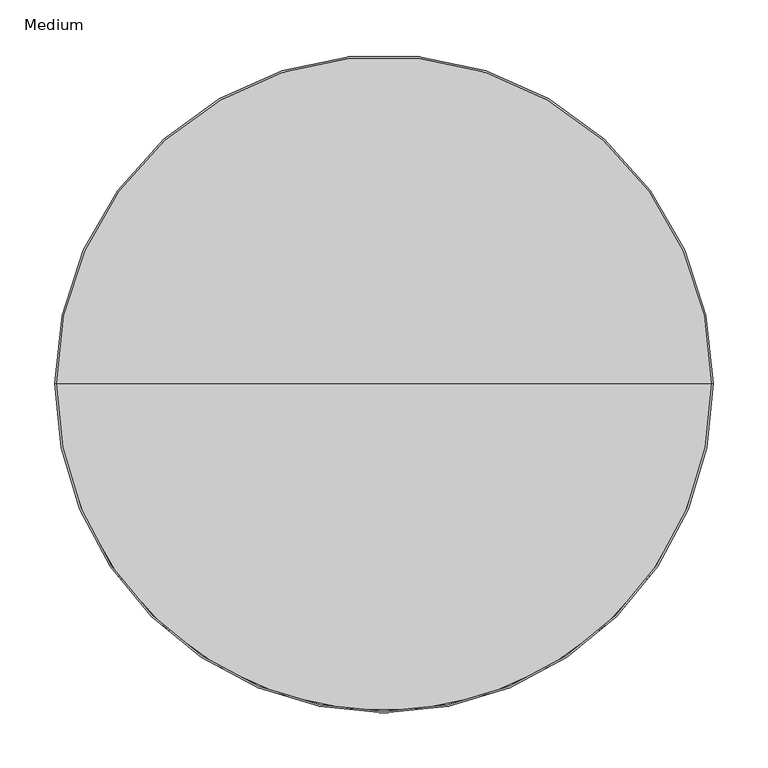
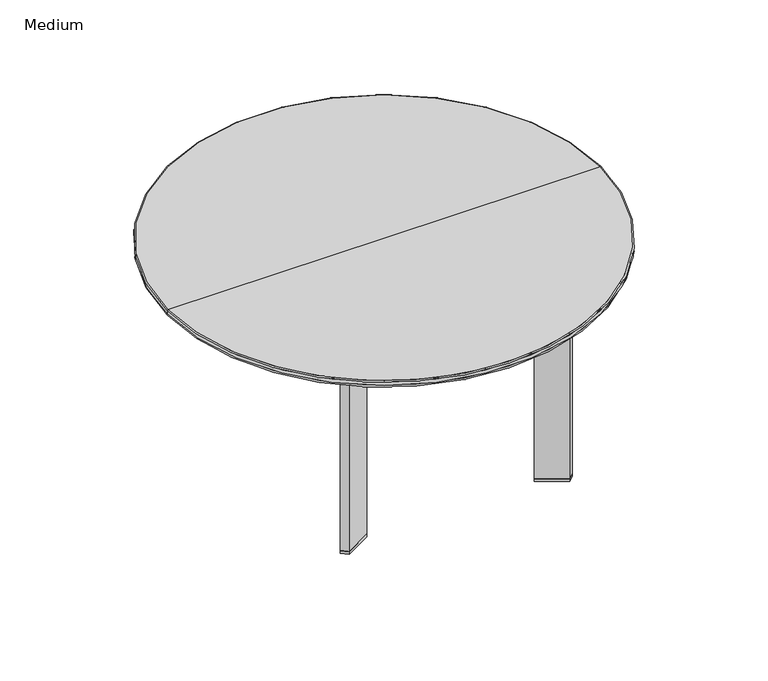
"""IFC4 building model written with IfcOpenShell, lengths in millimetres: furniture geometry, Medium."""

import ifcopenshell
import ifcopenshell.guid

model = None  # the IFC model being written
_history = None  # IfcOwnerHistory: only IFC2X3 demands one
_inside = {}  # id of a spatial element -> (the spatial element, [elements in it])
_under = {}  # id of a project, library or spatial element -> (it, [spatial elements below it])
_declared = {}  # id of a project -> (the project, [libraries it declares])
_typed = {}  # id of a type object -> (the type object, [elements of that type])
_made_of = {}  # id of a material, layer set ... -> (it, [elements and type objects made of it])


def new_model(schema):
    """Start an empty IFC model of exactly this schema.

    Asked for "IFC4X3", IfcOpenShell would pick the latest addendum, in which some entities
    have other attributes; the version numbers below select the first issue.
    IFC2X3 requires an IfcOwnerHistory on every rooted entity: one is made here for all.
    """
    global model, _history
    if schema == "IFC4X3":
        model = ifcopenshell.file(schema_version=(4, 3, 0, 0))
    else:
        model = ifcopenshell.file(schema=schema)
    _inside.clear()
    _under.clear()
    _declared.clear()
    _typed.clear()
    _made_of.clear()
    _history = None
    if model.schema == "IFC2X3":
        org = make("IfcOrganization", Name="unknown")
        user = make(
            "IfcPersonAndOrganization",
            ThePerson=make("IfcPerson", FamilyName="unknown"),
            TheOrganization=org,
        )
        app = make(
            "IfcApplication",
            ApplicationDeveloper=org,
            Version="unknown",
            ApplicationFullName="unknown",
            ApplicationIdentifier="unknown",
        )
        _history = make(
            "IfcOwnerHistory",
            OwningUser=user,
            OwningApplication=app,
            ChangeAction="ADDED",
            CreationDate=0,
        )
    return model


def make(cls, **values):
    """One entity of the class cls with the attributes given. An attribute that is None is left unset."""
    return model.create_entity(
        cls, **{name: value for name, value in values.items() if value is not None}
    )


def rooted(cls, **values):
    """An entity with a GlobalId (a new one), such as an element, a storey or a relation."""
    return make(cls, GlobalId=ifcopenshell.guid.new(), OwnerHistory=_history, **values)


def si_unit(unit_type, name, prefix=None):
    """IfcSIUnit, for example si_unit("LENGTHUNIT", "METRE", prefix="MILLI")."""
    return make("IfcSIUnit", UnitType=unit_type, Prefix=prefix, Name=name)


def assignment(units):
    """IfcUnitAssignment: the units of a project."""
    return None if units is None else make("IfcUnitAssignment", Units=units)


def point(xyz):
    """IfcCartesianPoint."""
    return None if xyz is None else make("IfcCartesianPoint", Coordinates=xyz)


def direction(xyz):
    """IfcDirection."""
    return None if xyz is None else make("IfcDirection", DirectionRatios=xyz)


def frame(location, z_axis=None, x_axis=None):
    """IfcAxis2Placement3D, a coordinate frame: its origin and axes. An axis left out is left unset."""
    return make(
        "IfcAxis2Placement3D",
        Location=point(location),
        Axis=direction(z_axis),
        RefDirection=direction(x_axis),
    )


def frame_2d(location, x_axis=None):
    """IfcAxis2Placement2D, a coordinate frame in the plane: its origin and x axis."""
    return make(
        "IfcAxis2Placement2D", Location=point(location), RefDirection=direction(x_axis)
    )


def origin():
    """The frame at (0, 0, 0) with its axes left unset."""
    return frame((0.0, 0.0, 0.0))


def origin_with_axes():
    """The frame at (0, 0, 0) with the z axis (0, 0, 1) and the x axis (1, 0, 0) written out."""
    return frame((0.0, 0.0, 0.0), z_axis=(0.0, 0.0, 1.0), x_axis=(1.0, 0.0, 0.0))


def origin_2d():
    """The frame at (0, 0) in the plane with its x axis left unset."""
    return frame_2d((0.0, 0.0))


def place(relative_to, where):
    """IfcLocalPlacement: puts the frame where relative to a parent placement (None: the world)."""
    return make(
        "IfcLocalPlacement", PlacementRelTo=relative_to, RelativePlacement=where
    )


def context(
    kind, dimensions, precision=None, world=None, true_north=None, identifier=None
):
    """IfcGeometricRepresentationContext, for example the 3D "Model" context."""
    return make(
        "IfcGeometricRepresentationContext",
        ContextIdentifier=identifier,
        ContextType=kind,
        CoordinateSpaceDimension=dimensions,
        Precision=precision,
        WorldCoordinateSystem=world,
        TrueNorth=true_north,
    )


def project(units=None, contexts=None):
    """IfcProject with its units and contexts."""
    return rooted(
        "IfcProject",
        Name="project",
        RepresentationContexts=contexts,
        UnitsInContext=assignment(units),
    )


def spatial(cls, under=None, at=None, **own):
    """A site, building, storey or space (cls), placed at a placement, below another one or the project."""
    s = rooted(cls, ObjectPlacement=at, **own)
    if under is not None:
        _under.setdefault(under.id(), (under, []))[1].append(s)
    return s


def polyline(points):
    """IfcPolyline through the points."""
    return make("IfcPolyline", Points=[point(p) for p in points])


def circle_curve(where, radius):
    """IfcCircle in the frame where."""
    return make("IfcCircle", Position=where, Radius=radius)


def ellipse_curve(where, semi_axis1, semi_axis2):
    """IfcEllipse in the frame where."""
    return make(
        "IfcEllipse", Position=where, SemiAxis1=semi_axis1, SemiAxis2=semi_axis2
    )


def trimmed(basis, trim1, trim2, sense, master):
    """IfcTrimmedCurve: the piece of a basis curve between two trims."""
    return make(
        "IfcTrimmedCurve",
        BasisCurve=basis,
        Trim1=trim1,
        Trim2=trim2,
        SenseAgreement=sense,
        MasterRepresentation=master,
    )


def segment(curve, same_sense, transition):
    """IfcCompositeCurveSegment."""
    return make(
        "IfcCompositeCurveSegment",
        Transition=transition,
        SameSense=same_sense,
        ParentCurve=curve,
    )


def composite_curve(segments, self_intersect=None):
    """IfcCompositeCurve: segments joined end to end."""
    return make("IfcCompositeCurve", Segments=segments, SelfIntersect=self_intersect)


def outline(outer, holes=None, kind="AREA"):
    """IfcArbitraryClosedProfileDef: a profile drawn as a closed curve; with holes, ...WithVoids."""
    if holes is None:
        return make("IfcArbitraryClosedProfileDef", ProfileType=kind, OuterCurve=outer)
    return make(
        "IfcArbitraryProfileDefWithVoids",
        ProfileType=kind,
        OuterCurve=outer,
        InnerCurves=holes,
    )


def extrude(swept, where, along, depth):
    """IfcExtrudedAreaSolid: the profile swept, set in the frame where, extruded along a direction by depth."""
    return make(
        "IfcExtrudedAreaSolid",
        SweptArea=swept,
        Position=where,
        ExtrudedDirection=direction(along),
        Depth=depth,
    )


def shape(context_of_items, identifier, shape_type, items):
    """IfcShapeRepresentation: the items that make up one representation, for example the "Body"."""
    return make(
        "IfcShapeRepresentation",
        ContextOfItems=context_of_items,
        RepresentationIdentifier=identifier,
        RepresentationType=shape_type,
        Items=items,
    )


def source(mapping_origin, context_of_items, identifier, shape_type, items):
    """IfcRepresentationMap: a shape defined once, which mapped items show again and again."""
    return make(
        "IfcRepresentationMap",
        MappingOrigin=mapping_origin,
        MappedRepresentation=shape(context_of_items, identifier, shape_type, items),
    )


def transform(
    local_origin,
    x_axis=None,
    y_axis=None,
    z_axis=None,
    scale=None,
    scale2=None,
    scale3=None,
    uniform=True,
):
    """IfcCartesianTransformationOperator3D, or its non-uniform kind. x_axis, y_axis, z_axis: its Axis1, 2, 3."""
    if uniform:
        return make(
            "IfcCartesianTransformationOperator3D",
            Axis1=direction(x_axis),
            Axis2=direction(y_axis),
            LocalOrigin=point(local_origin),
            Scale=scale,
            Axis3=direction(z_axis),
        )
    return make(
        "IfcCartesianTransformationOperator3DnonUniform",
        Axis1=direction(x_axis),
        Axis2=direction(y_axis),
        LocalOrigin=point(local_origin),
        Scale=scale,
        Axis3=direction(z_axis),
        Scale2=scale2,
        Scale3=scale3,
    )


def mapped(mapping_source, mapping_target):
    """IfcMappedItem: shows the shape of a source again, moved by a transform."""
    return make(
        "IfcMappedItem", MappingSource=mapping_source, MappingTarget=mapping_target
    )


def made_of(thing, what):
    """Note that an element or type object is made of a material, layer set ...; save() writes the relation."""
    if what is not None:
        _made_of.setdefault(what.id(), (what, []))[1].append(thing)
    return thing


def element(
    cls,
    number,
    at=None,
    inside=None,
    cuts=None,
    type_object=None,
    material=None,
    context=None,
    identifier="Body",
    shape_type=None,
    held_by="IfcProductDefinitionShape",
    body=None,
    shapes=None,
    **own,
):
    """One element of the class cls, such as IfcWall. Its Tag is "e" and its number.

    at: its placement. inside: the storey or other place that contains it. cuts: it is an
    opening in that element (IfcRelVoidsElement). A single representation is given by context,
    identifier, shape_type and body (its items); several are given by shapes. held_by: the class
    of the entity that holds the representations. save() writes the other relations.
    """
    e = rooted(cls, Tag="e%d" % number, ObjectPlacement=at, **own)
    if body is not None:
        shapes = [shape(context, identifier, shape_type, body)]
    if shapes is not None:
        e.Representation = make(held_by, Representations=shapes)
    if inside is not None:
        _inside.setdefault(inside.id(), (inside, []))[1].append(e)
    if cuts is not None:
        rooted(
            "IfcRelVoidsElement", RelatingBuildingElement=cuts, RelatedOpeningElement=e
        )
    if type_object is not None:
        _typed.setdefault(type_object.id(), (type_object, []))[1].append(e)
    return made_of(e, material)


def aggregate(whole, parts):
    """IfcRelAggregates: a whole, such as a stair, and the parts it consists of."""
    return rooted("IfcRelAggregates", RelatingObject=whole, RelatedObjects=parts)


def save(model, path):
    """Write the relations noted so far, then the file.

    IfcRelAggregates (storeys below a building ...), IfcRelContainedInSpatialStructure (elements
    in a storey), IfcRelDefinesByType, IfcRelAssociatesMaterial and IfcRelDeclares: one each for
    every whole, place, type object, material and project.
    """
    for whole, parts in _under.values():
        aggregate(whole, parts)
    for where, things in _inside.values():
        rooted(
            "IfcRelContainedInSpatialStructure",
            RelatedElements=things,
            RelatingStructure=where,
        )
    for kind, things in _typed.values():
        rooted("IfcRelDefinesByType", RelatedObjects=things, RelatingType=kind)
    for what, things in _made_of.values():
        rooted("IfcRelAssociatesMaterial", RelatedObjects=things, RelatingMaterial=what)
    for by, libraries in _declared.values():
        rooted("IfcRelDeclares", RelatingContext=by, RelatedDefinitions=libraries)
    model.write(path)


def plane_surface(at):
    """IfcPlane: the flat surface through the origin of the frame at, square to its z axis."""
    return make("IfcPlane", Position=at)


def cylinder_surface(at, radius):
    """IfcCylindricalSurface: all points at the distance radius from the z axis of the frame at."""
    return make("IfcCylindricalSurface", Position=at, Radius=radius)


def revolved_surface(curve, axis_point, axis_direction):
    """IfcSurfaceOfRevolution: the curve turned about the line through axis_point along axis_direction."""
    return make(
        "IfcSurfaceOfRevolution",
        SweptCurve=make("IfcArbitraryOpenProfileDef", ProfileType="CURVE", Curve=curve),
        AxisPosition=make("IfcAxis1Placement", Location=point(axis_point), Axis=direction(axis_direction)),
    )


def advanced_brep(points, edges, surfaces, faces):
    """IfcAdvancedBrep: a solid bounded by faces that lie on surfaces and meet in shared edges.

    An edge is (start, end): straight between two places in points (the first is 0);
    or (start, end, curve); or (start, end, curve, False) where it runs against its curve.
    A face is (place in surfaces, loops), or (place, loops, False) where it looks against
    its surface's normal. A loop lists edges by number (the first is 1), with a minus sign
    where the edge is run from its end to its start. The first loop is the outer one.
    """
    corners = [point(p) for p in points]
    vertices = [make("IfcVertexPoint", VertexGeometry=c) for c in corners]
    made = []
    for start, end, *more in edges:
        made.append(
            make(
                "IfcEdgeCurve",
                EdgeStart=vertices[start],
                EdgeEnd=vertices[end],
                EdgeGeometry=more[0] if more else make("IfcPolyline", Points=[corners[start], corners[end]]),
                SameSense=more[1] if len(more) > 1 else True,
            )
        )
    hull = []
    for where, loops, *sense in faces:
        bounds = []
        for j, loop in enumerate(loops):
            ring = [make("IfcOrientedEdge", EdgeElement=made[abs(k) - 1], Orientation=k > 0) for k in loop]
            bounds.append(
                make(
                    "IfcFaceOuterBound" if j == 0 else "IfcFaceBound",
                    Bound=make("IfcEdgeLoop", EdgeList=ring),
                    Orientation=True,
                )
            )
        hull.append(make("IfcAdvancedFace", Bounds=bounds, FaceSurface=surfaces[where], SameSense=sense[0] if sense else True))
    return make("IfcAdvancedBrep", Outer=make("IfcClosedShell", CfsFaces=hull))


def medium_6040fda8(model_context):
    return source(origin(), model_context, "Body", "SolidModel", [
        extrude(outline(composite_curve([segment(polyline([(124.3899354, -152.5682354), (160.4355162, -173.3791612)]), True, "CONTINUOUS"), segment(trimmed(circle_curve(origin_2d(), 236.22), [point((160.4355162, -173.3791612))], [point((152.4080396, -180.4762529))], False, "CARTESIAN"), True, "CONTINUOUS"), segment(polyline([(152.4080396, -180.4762529), (115.68171, -159.2722966)]), True, "CONTINUOUS"), segment(trimmed(circle_curve(origin_2d(), 196.85), [point((115.68171, -159.2722966))], [point((124.3899354, -152.5682354))], True, "CARTESIAN"), True, "CONTINUOUS")], self_intersect=False)), origin_with_axes(), (0.0, 0.0, 1.0), 3.81),
        extrude(outline(composite_curve([segment(polyline([(-160.4355162, -173.3791612), (-124.3899354, -152.5682354)]), True, "CONTINUOUS"), segment(trimmed(circle_curve(origin_2d(), 196.85), [point((-124.3899354, -152.5682354))], [point((-115.68171, -159.2722966))], True, "CARTESIAN"), True, "CONTINUOUS"), segment(polyline([(-115.68171, -159.2722966), (-152.4080396, -180.4762529)]), True, "CONTINUOUS"), segment(trimmed(circle_curve(origin_2d(), 236.22), [point((-152.4080396, -180.4762529))], [point((-160.4355162, -173.3791612))], False, "CARTESIAN"), True, "CONTINUOUS")], self_intersect=False)), origin_with_axes(), (0.0, 0.0, 1.0), 3.81),
        extrude(outline(composite_curve([segment(polyline([(5.08, 236.16537), (5.08, 196.7844407)]), True, "CONTINUOUS"), segment(trimmed(circle_curve(origin_2d(), 196.85), [point((5.08, 196.7844407))], [point((-5.08, 196.7844407))], True, "CARTESIAN"), True, "CONTINUOUS"), segment(polyline([(-5.08, 196.7844407), (-5.08, 236.16537)]), True, "CONTINUOUS"), segment(trimmed(circle_curve(origin_2d(), 236.22), [point((-5.08, 236.16537))], [point((5.08, 236.16537))], False, "CARTESIAN"), True, "CONTINUOUS")], self_intersect=False)), origin_with_axes(), (0.0, 0.0, 1.0), 3.81),
        extrude(outline(composite_curve([segment(trimmed(circle_curve(origin_2d(), 196.85), [point((-124.3899354, -152.5682354))], [point((-115.68171, -159.2722966))], True, "CARTESIAN"), True, "CONTINUOUS"), segment(polyline([(-115.68171, -159.2722966), (-152.4080396, -180.4762529)]), True, "CONTINUOUS"), segment(trimmed(circle_curve(origin_2d(), 236.22), [point((-152.4080396, -180.4762529))], [point((-160.4355162, -173.3791612))], False, "CARTESIAN"), True, "CONTINUOUS"), segment(polyline([(-160.4355162, -173.3791612), (-124.3899354, -152.5682354)]), True, "CONTINUOUS")], self_intersect=False)), frame((0.0, 0.0, 3.81), z_axis=(0.0, 0.0, 1.0), x_axis=(1.0, 0.0, 0.0)), (0.0, 0.0, 1.0), 271.526),
        extrude(outline(composite_curve([segment(trimmed(circle_curve(origin_2d(), 196.85), [point((115.68171, -159.2722966))], [point((124.3899354, -152.5682354))], True, "CARTESIAN"), True, "CONTINUOUS"), segment(polyline([(124.3899354, -152.5682354), (160.4355162, -173.3791612)]), True, "CONTINUOUS"), segment(trimmed(circle_curve(origin_2d(), 236.22), [point((160.4355162, -173.3791612))], [point((152.4080396, -180.4762529))], False, "CARTESIAN"), True, "CONTINUOUS"), segment(polyline([(152.4080396, -180.4762529), (115.68171, -159.2722966)]), True, "CONTINUOUS")], self_intersect=False)), frame((0.0, 0.0, 3.81), z_axis=(0.0, 0.0, 1.0), x_axis=(1.0, 0.0, 0.0)), (0.0, 0.0, 1.0), 271.526),
        extrude(outline(composite_curve([segment(trimmed(circle_curve(origin_2d(), 196.85), [point((5.08, 196.7844407))], [point((-5.08, 196.7844407))], True, "CARTESIAN"), True, "CONTINUOUS"), segment(polyline([(-5.08, 196.7844407), (-5.08, 236.16537)]), True, "CONTINUOUS"), segment(trimmed(circle_curve(origin_2d(), 236.22), [point((-5.08, 236.16537))], [point((5.08, 236.16537))], False, "CARTESIAN"), True, "CONTINUOUS"), segment(polyline([(5.08, 236.16537), (5.08, 196.7844407)]), True, "CONTINUOUS")], self_intersect=False)), frame((0.0, 0.0, 3.81), z_axis=(0.0, 0.0, 1.0), x_axis=(1.0, 0.0, 0.0)), (0.0, 0.0, 1.0), 271.526),
        advanced_brep(
        [(299.974, 0.0, 298.704), (-299.974, 0.0, 298.704), (-298.704, 0.0, 299.974), (298.704, 0.0, 299.974), (299.974, 0.0, 294.2785318), (-299.974, 0.0, 294.2785318), (296.6824388, 0.0, 289.5237567), (-296.6824388, 0.0, 289.5237567), (267.6091025, 0.0, 278.5882485), (-267.6091025, 0.0, 278.5882485), (0.0, 0.0, 275.336), (-249.7247146, 0.0, 275.336), (249.7247146, 0.0, 275.336), (0.0, 0.0, 299.974)],
        [
            (0, 1, circle_curve(frame((0.0, 0.0, 298.704), z_axis=(0.0, 0.0, 1.0), x_axis=(-1.0, 0.0, 0.0)), 299.974)),
            (1, 2, circle_curve(frame((-298.704, 0.0, 298.704), z_axis=(0.0, 1.0, 0.0), x_axis=(1.0, 0.0, 0.0)), 1.27)),
            (2, 3, circle_curve(frame((0.0, 0.0, 299.974), z_axis=(0.0, 0.0, -1.0), x_axis=(-1.0, 0.0, 0.0)), 298.704)),
            (3, 0, circle_curve(frame((298.704, 0.0, 298.704), z_axis=(0.0, 1.0, 0.0), x_axis=(-1.0, 0.0, 0.0)), 1.27)),
            (1, 0, circle_curve(frame((0.0, 0.0, 298.704), z_axis=(0.0, 0.0, 1.0), x_axis=(-1.0, 0.0, 0.0)), 299.974)),
            (3, 2, circle_curve(frame((0.0, 0.0, 299.974), z_axis=(0.0, 0.0, -1.0), x_axis=(-1.0, 0.0, 0.0)), 298.704)),
            (4, 5, circle_curve(frame((0.0, 0.0, 294.2785318), z_axis=(0.0, 0.0, 1.0), x_axis=(-1.0, 0.0, 0.0)), 299.974)),
            (5, 1),
            (0, 4),
            (5, 4, circle_curve(frame((0.0, 0.0, 294.2785318), z_axis=(0.0, 0.0, 1.0), x_axis=(-1.0, 0.0, 0.0)), 299.974)),
            (6, 7, circle_curve(frame((0.0, 0.0, 289.5237567), z_axis=(0.0, 0.0, 1.0), x_axis=(-1.0, 0.0, 0.0)), 296.6824388)),
            (7, 5, circle_curve(frame((-294.894, 0.0, 294.2785318), z_axis=(0.0, 1.0, 0.0), x_axis=(1.0, 0.0, 0.0)), 5.08)),
            (4, 6, circle_curve(frame((294.894, 0.0, 294.2785318), z_axis=(0.0, 1.0, 0.0), x_axis=(-1.0, 0.0, 0.0)), 5.08)),
            (7, 6, circle_curve(frame((0.0, 0.0, 289.5237567), z_axis=(0.0, 0.0, 1.0), x_axis=(-1.0, 0.0, 0.0)), 296.6824388)),
            (8, 9, circle_curve(frame((0.0, 0.0, 278.5882485), z_axis=(0.0, 0.0, 1.0), x_axis=(-1.0, 0.0, 0.0)), 267.6091025)),
            (9, 7),
            (6, 8),
            (9, 8, circle_curve(frame((0.0, 0.0, 278.5882485), z_axis=(0.0, 0.0, 1.0), x_axis=(-1.0, 0.0, 0.0)), 267.6091025)),
            (10, 11),
            (11, 12, circle_curve(frame((0.0, 0.0, 275.336), z_axis=(0.0, 0.0, -1.0), x_axis=(-1.0, 0.0, 0.0)), 249.7247146)),
            (12, 10),
            (12, 11, circle_curve(frame((0.0, 0.0, 275.336), z_axis=(0.0, 0.0, -1.0), x_axis=(-1.0, 0.0, 0.0)), 249.7247146)),
            (2, 13),
            (13, 3),
            (11, 9, circle_curve(frame((-249.7247146, 0.0, 326.136), z_axis=(0.0, 1.0, 0.0), x_axis=(1.0, 0.0, 0.0)), 50.8)),
            (8, 12, circle_curve(frame((249.7247146, 0.0, 326.136), z_axis=(0.0, 1.0, 0.0), x_axis=(-1.0, 0.0, 0.0)), 50.8)),
        ],
        [
            revolved_surface(trimmed(ellipse_curve(frame((-298.704, 0.0, 298.704), z_axis=(0.0, -1.0, 0.0), x_axis=(1.0, 0.0, 0.0)), 1.27, 1.27), [point((-298.704, 0.0, 299.974))], [point((-299.974, 0.0, 298.704))], True, "CARTESIAN"), (0.0, 0.0, 604.774), (0.0, 0.0, -1.0)),
            cylinder_surface(frame((0.0, 0.0, 604.774), z_axis=(0.0, 0.0, -1.0), x_axis=(-1.0, 0.0, 0.0)), 299.974),
            revolved_surface(trimmed(ellipse_curve(frame((-294.894, 0.0, 294.2785318), z_axis=(0.0, -1.0, 0.0), x_axis=(1.0, 0.0, 0.0)), 5.08, 5.08), [point((-299.974, 0.0, 294.2785318))], [point((-296.6824388, 0.0, 289.5237567))], True, "CARTESIAN"), (0.0, 0.0, 604.774), (0.0, 0.0, -1.0)),
            revolved_surface(polyline([(-296.6824388, 0.0, 289.5237567), (-267.6091025, 0.0, 278.5882485)]), (0.0, 0.0, 604.774), (0.0, 0.0, -1.0)),
            plane_surface(frame((0.0, 0.0, 275.336), z_axis=(0.0, 0.0, -1.0), x_axis=(-1.0, 0.0, 0.0))),
            plane_surface(frame((0.0, 0.0, 299.974), z_axis=(0.0, 0.0, 1.0), x_axis=(-1.0, 0.0, 0.0))),
            revolved_surface(trimmed(ellipse_curve(frame((-249.7247146, 0.0, 326.136), z_axis=(0.0, -1.0, 0.0), x_axis=(1.0, 0.0, 0.0)), 50.8, 50.8), [point((-267.6091025, 0.0, 278.5882485))], [point((-249.7247146, 0.0, 275.336))], True, "CARTESIAN"), (0.0, 0.0, 604.774), (0.0, 0.0, -1.0)),
        ],
        [
            (0, [[1, 2, 3, 4]]),
            (0, [[5, -4, 6, -2]]),
            (1, [[7, 8, -1, 9]]),
            (1, [[10, -9, -5, -8]]),
            (2, [[11, 12, -7, 13]]),
            (2, [[14, -13, -10, -12]]),
            (3, [[15, 16, -11, 17]]),
            (3, [[18, -17, -14, -16]]),
            (4, [[19, 20, 21]]),
            (4, [[-21, 22, -19]]),
            (5, [[-3, 23, 24]]),
            (5, [[-6, -24, -23]]),
            (6, [[-20, 25, -15, 26]]),
            (6, [[-22, -26, -18, -25]]),
        ],
    ),
    ])


if __name__ == "__main__":
    model = new_model("IFC4")
    model_context = context("Model", 3, world=origin())
    ifc_project = project(units=[si_unit("LENGTHUNIT", "METRE", prefix="MILLI")], contexts=[model_context])
    site = spatial("IfcSite", under=ifc_project)
    building = spatial("IfcBuilding", under=site)
    placement = place(None, origin())
    medium_shape = medium_6040fda8(model_context)
    element("IfcFurniture", 1, ObjectType="Medium", at=placement, inside=building, context=model_context, shape_type="MappedRepresentation", body=[
        mapped(medium_shape, transform((0.0, 0.0, 0.0), x_axis=(1.0, 0.0, 0.0), y_axis=(0.0, 1.0, 0.0), z_axis=(0.0, 0.0, 1.0))),
    ])
    save(model, "model.ifc")
